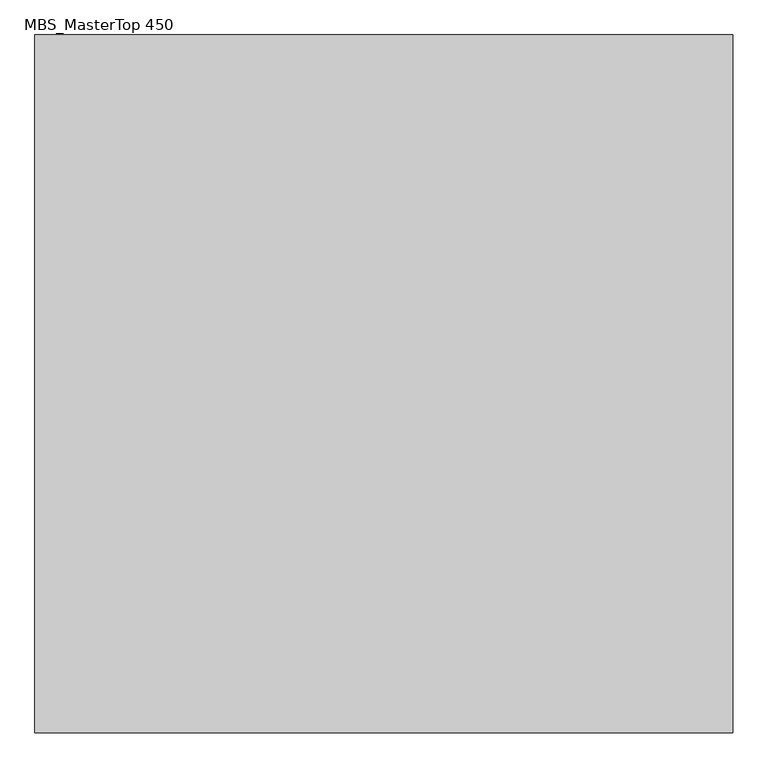
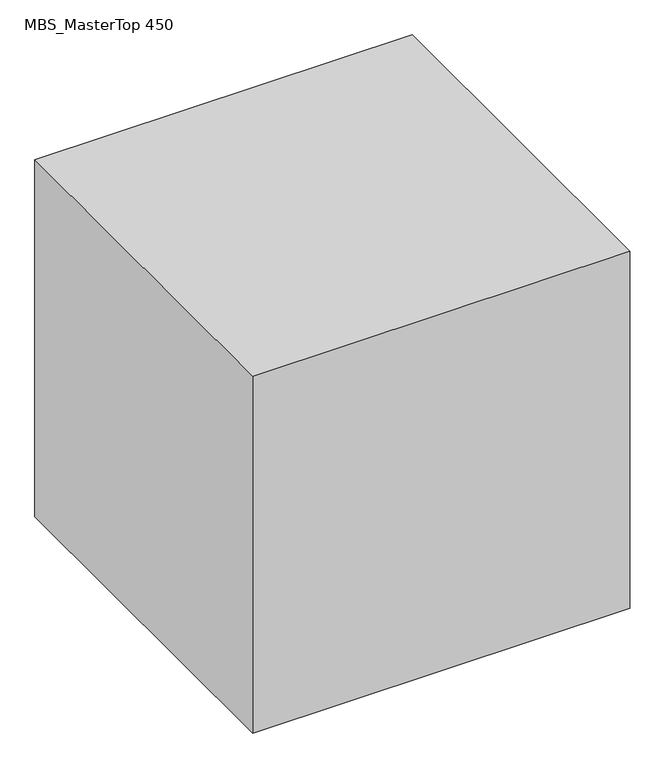
"""IFC4 building model written with IfcOpenShell, lengths in millimetres: proxy geometry, MBS_MasterTop 450."""

from ifc_helpers import new_model, si_unit, origin, origin_with_axes, place, context, project, spatial, polyline, outline, extrude, source, transform, mapped, element, save


def mbs_mastertop_450_0e497492(model_context):
    return source(origin(), model_context, "Body", "SweptSolid", [
        extrude(outline(polyline([(500.0, 500.0), (500.0, -500.0), (-500.0, -500.0), (-500.0, 500.0), (500.0, 500.0)])), origin_with_axes(), (0.0, 0.0, 1.0), 1000.0),
    ])


if __name__ == "__main__":
    model = new_model("IFC4")
    model_context = context("Model", 3, world=origin())
    ifc_project = project(units=[si_unit("LENGTHUNIT", "METRE", prefix="MILLI")], contexts=[model_context])
    site = spatial("IfcSite", under=ifc_project)
    building = spatial("IfcBuilding", under=site)
    placement = place(None, origin())
    mbs_mastertop_450_shape = mbs_mastertop_450_0e497492(model_context)
    element("IfcBuildingElementProxy", 1, Name="MBS_MasterTop 450", ObjectType="MBS_MasterTop 450", at=placement, inside=building, context=model_context, shape_type="MappedRepresentation", body=[
        mapped(mbs_mastertop_450_shape, transform((0.0, 0.0, 0.0), x_axis=(1.0, 0.0, 0.0), y_axis=(0.0, 1.0, 0.0), z_axis=(0.0, 0.0, 1.0))),
    ])
    save(model, "model.ifc")
